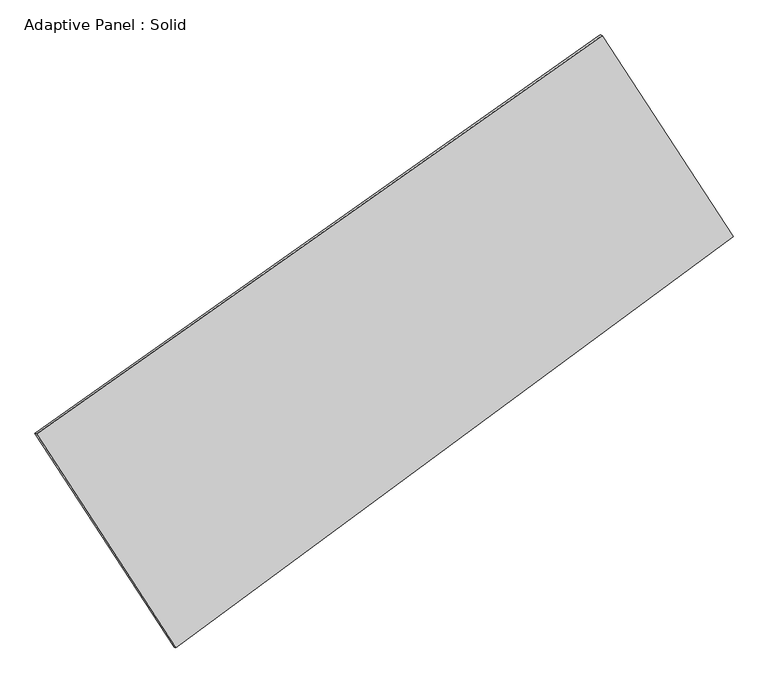
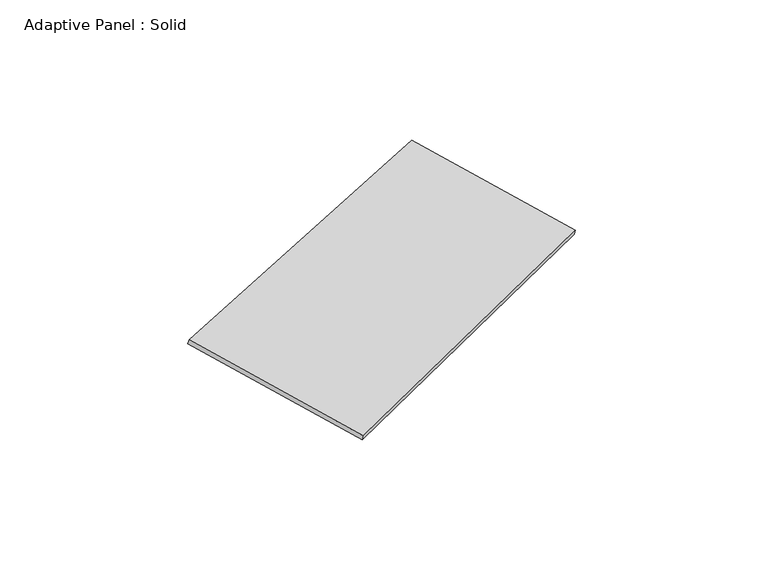
"""IFC4 building model written with IfcOpenShell, lengths in millimetres: plate geometry, Adaptive Panel : Solid."""

from ifc_helpers import new_model, si_unit, frame, origin, place, context, project, spatial, polyline, outline, extrude, source, transform, mapped, element, save


def adaptive_panel_solid_9fe4e4a7(model_context):
    return source(origin(), model_context, "Body", "SweptSolid", [
        extrude(outline(polyline([(-1044.3939065, 2941.1953371), (1044.3939064, 2941.1953371), (1111.209882, -2941.1953372), (-1111.2098819, -2941.1953372), (-1044.3939065, 2941.1953371)])), frame((-650.8226445, -100.0621432, 871.2806301), z_axis=(0.29332711661117716, -0.12760186928687217, 0.9474581603506664), x_axis=(0.5247162253157592, -0.8069467617313262, -0.2711269197658319)), (0.0, 0.0, 1.0), 50.0),
    ])


if __name__ == "__main__":
    model = new_model("IFC4")
    model_context = context("Model", 3, world=origin())
    ifc_project = project(units=[si_unit("LENGTHUNIT", "METRE", prefix="MILLI")], contexts=[model_context])
    site = spatial("IfcSite", under=ifc_project)
    building = spatial("IfcBuilding", under=site)
    placement = place(None, origin())
    adaptive_panel_solid_shape = adaptive_panel_solid_9fe4e4a7(model_context)
    element("IfcPlate", 1, ObjectType="Adaptive Panel : Solid", at=placement, inside=building, context=model_context, shape_type="MappedRepresentation", body=[
        mapped(adaptive_panel_solid_shape, transform((0.0, 0.0, 0.0), x_axis=(1.0, 0.0, 0.0), y_axis=(0.0, 1.0, 0.0), z_axis=(0.0, 0.0, 1.0))),
    ])
    save(model, "model.ifc")
